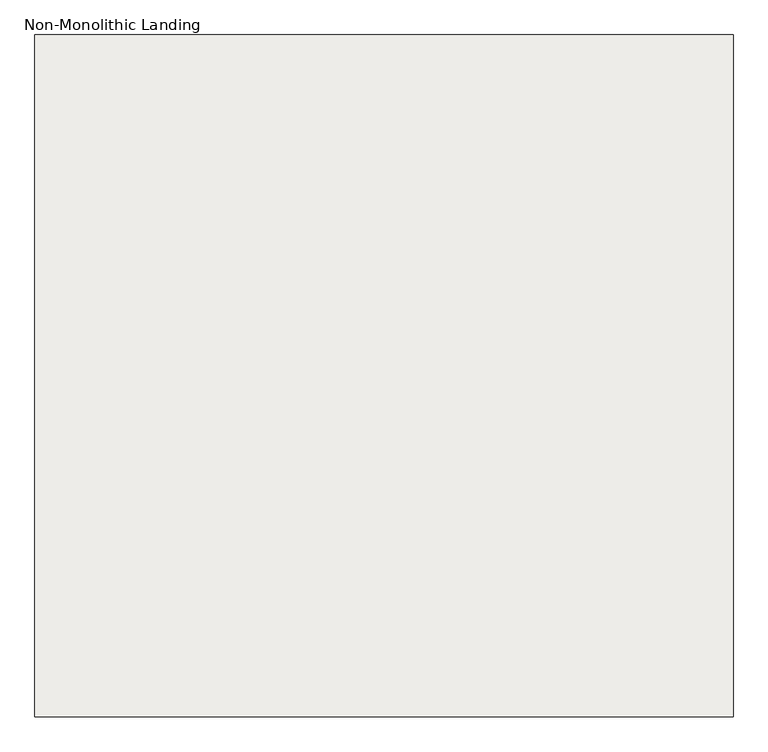
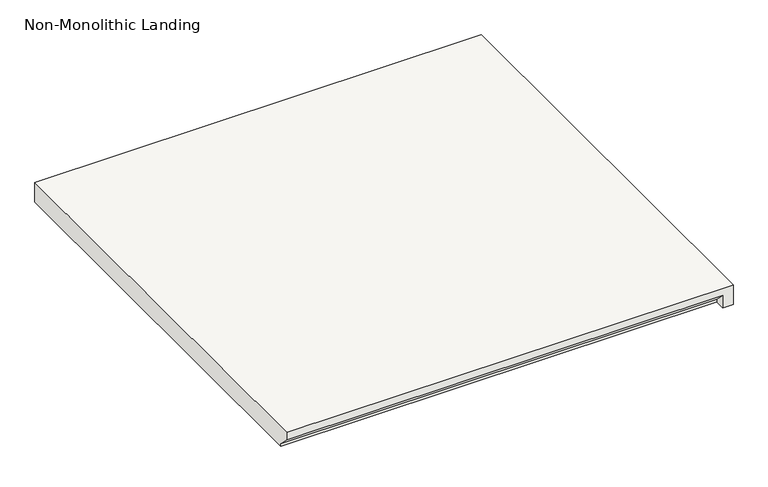
"""IFC4 building model written with IfcOpenShell, lengths in millimetres: slab geometry, Non-Monolithic Landing."""

from ifc_helpers import new_model, si_unit, origin, place, context, project, spatial, faceted_brep, source, transform, mapped, element, save


def non_monolithic_landing_3f9d92a0(model_context):
    return source(origin(), model_context, "Body", "Brep", [
        faceted_brep([(28488.8368532, -14119.094512, 1331.6323529), (28488.8368532, -14093.694512, 1306.2323529), (29555.6368532, -14093.694512, 1306.2323529), (29555.6368532, -14119.094512, 1331.6323529), (29581.0368532, -14119.094512, 1350.6823529), (29581.0368532, -13052.294512, 1350.6823529), (29555.6368532, -13052.294512, 1350.6823529), (28488.8368532, -13052.294512, 1350.6823529), (28488.8368532, -14119.094512, 1350.6823529), (29555.6368532, -14093.694512, 1299.8823529), (28488.8368532, -14093.694512, 1299.8823529), (28488.8368532, -13052.294512, 1299.8823529), (29555.6368532, -13052.294512, 1299.8823529), (29581.0368532, -13052.294512, 1299.8823529), (29581.0368532, -14119.094512, 1299.8823529), (29555.6368532, -14119.094512, 1299.8823529)], [[[0, 1, 2, 3]], [[4, 5, 6, 7, 8]], [[9, 10, 11, 12, 13, 14, 15]], [[10, 9, 2, 1]], [[9, 15, 3, 2]], [[4, 8, 0, 3, 15, 14]], [[5, 4, 14, 13]], [[6, 5, 13, 12]], [[7, 6, 12, 11]], [[8, 7, 11, 10, 1, 0]]]),
    ])


if __name__ == "__main__":
    model = new_model("IFC4")
    model_context = context("Model", 3, world=origin())
    ifc_project = project(units=[si_unit("LENGTHUNIT", "METRE", prefix="MILLI")], contexts=[model_context])
    site = spatial("IfcSite", under=ifc_project)
    building = spatial("IfcBuilding", under=site)
    placement = place(None, origin())
    non_monolithic_landing_shape = non_monolithic_landing_3f9d92a0(model_context)
    element("IfcSlab", 1, ObjectType="Non-Monolithic Landing", at=placement, inside=building, context=model_context, shape_type="MappedRepresentation", body=[
        mapped(non_monolithic_landing_shape, transform((0.0, 0.0, 0.0), x_axis=(1.0, 0.0, 0.0), y_axis=(0.0, 1.0, 0.0), z_axis=(0.0, 0.0, 1.0))),
    ])
    save(model, "model.ifc")
